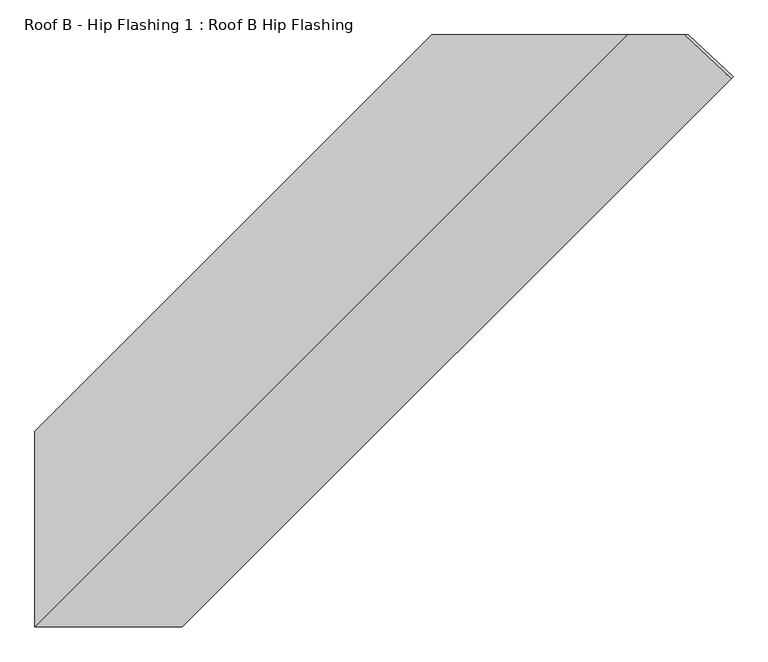
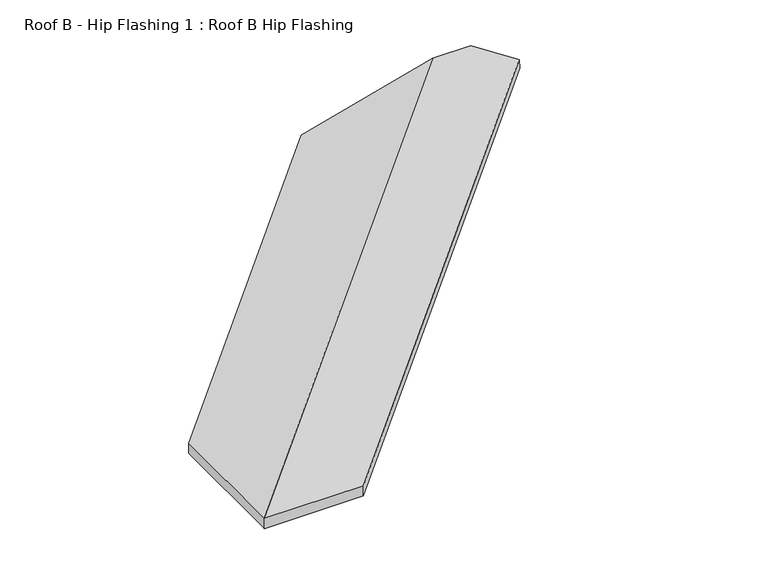
"""IFC4 building model written with IfcOpenShell, lengths in millimetres: proxy geometry, Roof B - Hip Flashing 1 : Roof B Hip Flashing."""

from ifc_helpers import new_model, si_unit, origin, place, context, project, spatial, faceted_brep, source, transform, mapped, element, save


def roof_b_hip_flashing_1_roof_b_hip_flashing_ccaf26bb(model_context):
    return source(origin(), model_context, "Body", "Brep", [
        faceted_brep([(1006.8170572, -3400.2441419, 3635.261907), (1011.6107982, -3395.4504009, 3599.4809368), (908.7834952, -3299.5112211, 3625.1877625), (898.851838, -3299.5112211, 3662.2532118), (-592.3448479, -4211.611959, 3260.8583581), (-592.3448479, -4211.611959, 3297.5780119), (319.75589, -3299.5112211, 3541.974668), (319.75589, -3299.5112211, 3505.2550142), (-592.3448479, -4660.4975954, 3297.5780119), (768.6415264, -3299.5112211, 3662.2532118), (-253.4363964, -4660.4975954, 3297.5780119), (-253.4363964, -4660.4975954, 3260.5125626), (-592.3448479, -4660.4975954, 3260.5125626), (-592.3448479, -4659.2070692, 3260.8583581), (767.3510002, -3299.5112211, 3625.1877625)], [[[0, 1, 2, 3]], [[4, 5, 6, 7]], [[5, 8, 9, 6]], [[0, 3, 9, 8, 10]], [[1, 0, 10, 11]], [[2, 1, 11, 12, 13, 14]], [[13, 4, 7, 14]], [[5, 4, 13, 12, 8]], [[3, 2, 14, 7, 6, 9]], [[10, 8, 12, 11]]]),
    ])


if __name__ == "__main__":
    model = new_model("IFC4")
    model_context = context("Model", 3, world=origin())
    ifc_project = project(units=[si_unit("LENGTHUNIT", "METRE", prefix="MILLI")], contexts=[model_context])
    site = spatial("IfcSite", under=ifc_project)
    building = spatial("IfcBuilding", under=site)
    placement = place(None, origin())
    roof_b_hip_flashing_1_roof_b_hip_flashing_shape = roof_b_hip_flashing_1_roof_b_hip_flashing_ccaf26bb(model_context)
    element("IfcBuildingElementProxy", 1, Name="Roof B - Hip Flashing 1 : Roof B Hip Flashing", ObjectType="Roof B - Hip Flashing 1 : Roof B Hip Flashing", at=placement, inside=building, context=model_context, shape_type="MappedRepresentation", body=[
        mapped(roof_b_hip_flashing_1_roof_b_hip_flashing_shape, transform((0.0, 0.0, 0.0), x_axis=(1.0, 0.0, 0.0), y_axis=(0.0, 1.0, 0.0), z_axis=(0.0, 0.0, 1.0))),
    ])
    save(model, "model.ifc")
